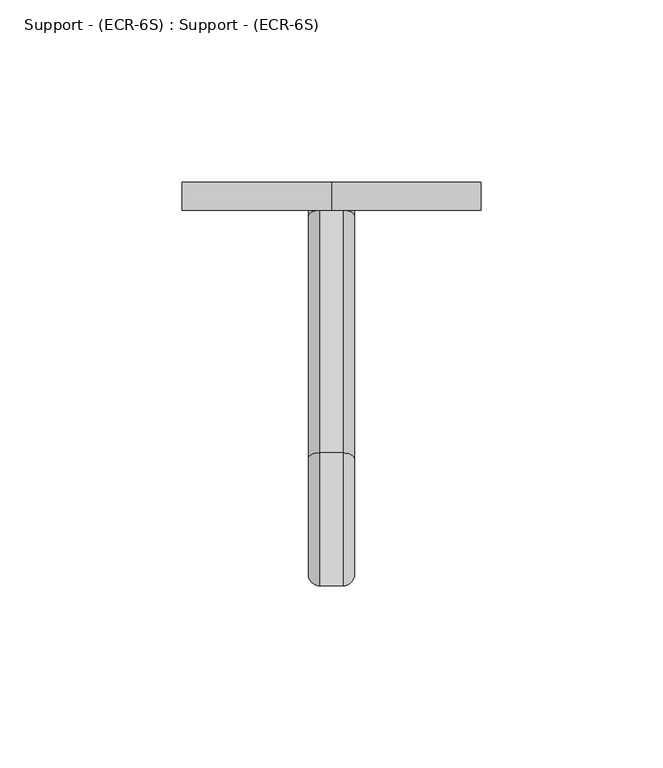
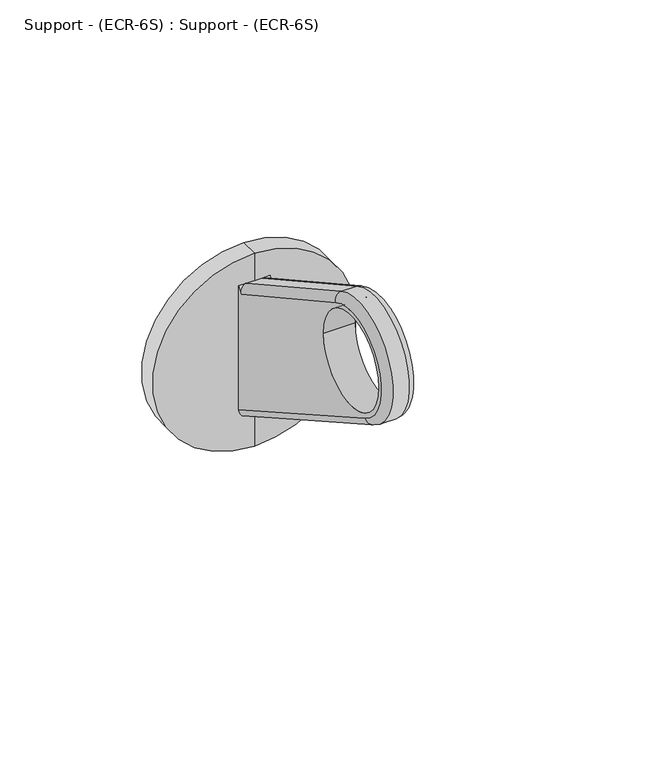
"""IFC4 building model written with IfcOpenShell, lengths in millimetres: proxy geometry, Support - (ECR-6S) : Support - (ECR-6S)."""

from ifc_helpers import new_model, si_unit, point, frame, origin, place, context, project, spatial, polyline, circle_curve, ellipse_curve, trimmed, source, transform, mapped, element, save
from ifc_brep_helpers import plane_surface, cylinder_surface, revolved_surface, advanced_brep


def support_ecr_6s_support_ecr_6s_dc510186(model_context):
    return source(origin(), model_context, "Body", "AdvancedBrep", [
        advanced_brep(
        [(6.35, 78.8452801, -49.9262868), (6.35, 78.8452801, 3.1538771), (6.35, 77.30566, 0.3771533), (6.35, 10.595249, 37.366316), (6.35, -9.941219, 0.2595868), (6.35, -19.3130199, 18.9992), (6.35, 19.2949801, 18.9992), (-6.35, 78.8452801, 3.1538771), (-6.35, 78.8452801, -49.9262868), (-6.35, -9.9406447, 0.2606028), (-6.35, 10.5954801, 37.3667328), (-6.35, 77.30566, 0.3771533), (-6.35, -19.3130199, 18.9992), (-6.35, 19.2949801, 18.9992), (3.175, -11.4280751, -2.5457445), (3.175, 12.1829801, 40.1163634), (-3.1750015, 12.1829801, 40.1163634), (-3.175, -11.4280751, -2.5457445), (3.175, 78.8452801, -53.573415), (-3.175, 78.8452801, -53.573415), (-3.175, 78.8452801, 3.1538771), (3.175, 78.8452801, 3.1538771)],
        [
            (0, 1),
            (1, 2),
            (2, 3),
            (3, 4, circle_curve(frame((6.35, -0.0090199, 18.9992), z_axis=(1.0, 0.0, 0.0), x_axis=(0.0, 0.5000000000000026, 0.8660254037844372)), 21.209)),
            (4, 0),
            (5, 6, circle_curve(frame((6.35, -0.0090199, 18.9992), z_axis=(-1.0, 0.0, 0.0), x_axis=(0.0, 1.0, 0.0)), 19.304)),
            (6, 5, circle_curve(frame((6.35, -0.0090199, 18.9992), z_axis=(-1.0, 0.0, 0.0), x_axis=(0.0, 1.0, 0.0)), 19.304)),
            (7, 8),
            (8, 9),
            (9, 10, circle_curve(frame((-6.35, -0.0090199, 18.9992), z_axis=(-1.0, 0.0, 0.0), x_axis=(0.0, -0.4683011491717225, -0.8835689184689806)), 21.209)),
            (10, 11),
            (11, 7),
            (12, 13, circle_curve(frame((-6.35, -0.0090199, 18.9992), z_axis=(1.0, 0.0, 0.0), x_axis=(0.0, 1.0, 0.0)), 19.304)),
            (13, 12, circle_curve(frame((-6.35, -0.0090199, 18.9992), z_axis=(1.0, 0.0, 0.0), x_axis=(0.0, 1.0, 0.0)), 19.304)),
            (14, 15, circle_curve(frame((3.175, -0.0090199, 18.9992), z_axis=(-1.0, 0.0, 0.0), x_axis=(0.0, 1.0, 0.0)), 24.384)),
            (15, 16),
            (16, 17, circle_curve(frame((-3.175, -0.0090199, 18.9992), z_axis=(1.0, 0.0, 0.0), x_axis=(0.0, 1.0, 0.0)), 24.384)),
            (17, 14),
            (18, 14),
            (17, 19),
            (19, 18),
            (0, 18, ellipse_curve(frame((3.175, 78.8452801, -49.9262868), z_axis=(0.0, 1.0, 0.0), x_axis=(0.0, 0.0, -1.0)), 3.6471282, 3.175)),
            (19, 8, ellipse_curve(frame((-3.175, 78.8452801, -49.9262868), z_axis=(0.0, 1.0, 0.0), x_axis=(0.0, 0.0, 1.0)), 3.6471282, 3.175)),
            (7, 20),
            (20, 21),
            (21, 1),
            (15, 21),
            (20, 16),
            (5, 12),
            (13, 6),
            (21, 2, circle_curve(frame((3.175, 77.30566, 0.3771533), z_axis=(0.0, 0.8745586753706891, -0.4849197081310118), x_axis=(0.0, -0.4849197081310118, -0.8745586753706891)), 3.175)),
            (15, 3, circle_curve(frame((3.175, 10.5954801, 37.3667328), z_axis=(0.0, 0.8660254037844372, -0.5000000000000026), x_axis=(0.0, -0.5000000000000026, -0.8660254037844372)), 3.175)),
            (14, 4, circle_curve(frame((3.175, -9.941219, 0.2595868), z_axis=(0.0, -0.8835689184689819, 0.46830114917171994), x_axis=(0.0, 0.46830114917171994, 0.8835689184689819)), 3.175)),
            (17, 9, circle_curve(frame((-3.175, -9.941219, 0.2595868), z_axis=(0.0, 0.8835689184689806, -0.46830114917172255), x_axis=(0.0, 0.46830114917172255, 0.8835689184689806)), 3.175)),
            (16, 10, circle_curve(frame((-3.175, 10.5954801, 37.3667328), z_axis=(0.0, -0.8660254037844229, 0.500000000000027), x_axis=(0.0, -0.500000000000027, -0.8660254037844229)), 3.175)),
            (11, 20, circle_curve(frame((-3.175, 77.30566, 0.3771533), z_axis=(0.0, 0.8745586753706891, -0.48491970813101176), x_axis=(0.0, -0.48491970813101176, -0.8745586753706891)), 3.175)),
        ],
        [
            plane_surface(frame((6.35, 24.3749801, 18.9992), z_axis=(1.0, 0.0, 0.0), x_axis=(0.0, 0.0, 1.0))),
            plane_surface(frame((-6.35, 24.3749801, 18.9992), z_axis=(-1.0, 0.0, 0.0), x_axis=(0.0, 0.0, -1.0))),
            cylinder_surface(frame((-6.35, -0.0090199, 18.9992), z_axis=(1.0, 0.0, 0.0), x_axis=(0.0, 1.0, 0.0)), 24.384),
            plane_surface(frame((6.35, -11.4280751, -2.5457445), z_axis=(0.0, -0.49208356813713583, -0.8705479664954855), x_axis=(-1.0, 0.0, 0.0))),
            plane_surface(frame((6.35, 78.8452801, -53.573415), z_axis=(0.0, 1.0, 0.0), x_axis=(-1.0, 0.0, 0.0))),
            plane_surface(frame((6.35, 78.8452801, 3.1538771), z_axis=(0.0, 0.48491970813101176, 0.8745586753706892), x_axis=(-1.0, 0.0, 0.0))),
            revolved_surface(polyline([(-6.35, 19.2949801, 18.9992), (6.35, 19.2949801, 18.9992)]), (0.0, -0.0090199, 18.9992), (-1.0, 0.0, 0.0)),
            plane_surface(frame((6.35, 78.8452801, 3.1538771), z_axis=(0.0, -0.8745586753706891, 0.4849197081310118), x_axis=(1.0, 0.0, 0.0))),
            cylinder_surface(frame((3.175, 77.30566, 0.3771533), z_axis=(0.0, -0.8745586753706891, 0.4849197081310118), x_axis=(0.0, -0.4849197081310118, -0.8745586753706891)), 3.175),
            revolved_surface(trimmed(ellipse_curve(frame((3.175, 10.5954801, 37.3667328), z_axis=(0.0, 0.8660254037844372, -0.5000000000000026), x_axis=(0.0, -0.5000000000000026, -0.8660254037844372)), 3.175, 3.175), [point((3.175, 12.1829801, 40.1163634))], [point((6.35, 10.5954801, 37.3667328))], True, "CARTESIAN"), (6.35, -0.0090199, 18.9992), (1.0, 0.0, 0.0)),
            cylinder_surface(frame((3.175, -9.8657098, 0.2182453), z_axis=(0.0, 0.8705479664954855, -0.4920835681371358), x_axis=(0.0, 0.4920835681371358, 0.8705479664954855)), 3.175),
            cylinder_surface(frame((-3.175, 80.4076454, -50.8094252), z_axis=(0.0, -0.8705479664954856, 0.49208356813713583), x_axis=(0.0, 0.49208356813713583, 0.8705479664954856)), 3.175),
            revolved_surface(trimmed(ellipse_curve(frame((-3.175, -9.941219, 0.2595868), z_axis=(0.0, 0.8835689184689806, -0.46830114917172255), x_axis=(0.0, 0.46830114917172255, 0.8835689184689806)), 3.175, 3.175), [point((-3.175, -11.4280751, -2.5457445))], [point((-6.35, -9.941219, 0.2595868))], True, "CARTESIAN"), (-6.35, -0.0090199, 18.9992), (-1.0, 0.0, 0.0)),
            plane_surface(frame((-6.35, 78.8452801, 3.1538771), z_axis=(0.0, -0.8745586753706892, 0.48491970813101176), x_axis=(-1.0, 0.0, 0.0))),
            cylinder_surface(frame((-3.175, 10.64336, 37.3396397), z_axis=(0.0, 0.8745586753706891, -0.48491970813101176), x_axis=(0.0, -0.48491970813101176, -0.8745586753706891)), 3.175),
        ],
        [
            (0, [[1, 2, 3, 4, 5], [6, 7]]),
            (1, [[8, 9, 10, 11, 12], [13, 14]]),
            (2, [[15, 16, 17, 18]]),
            (3, [[19, -18, 20, 21]]),
            (4, [[-1, 22, -21, 23, -8, 24, 25, 26]]),
            (5, [[27, -25, 28, -16]]),
            (6, [[-6, 29, -14, 30]]),
            (6, [[-7, -30, -13, -29]]),
            (7, [[31, -2, -26]]),
            (8, [[-31, -27, 32, -3]]),
            (9, [[-32, -15, 33, -4]]),
            (10, [[-33, -19, -22, -5]]),
            (11, [[34, -9, -23, -20]]),
            (12, [[-34, -17, 35, -10]]),
            (13, [[36, -24, -12]]),
            (14, [[-35, -28, -36, -11]]),
        ],
    ),
        advanced_brep(
        [(0.0, 78.8452801, -26.4652547), (0.0, 78.8452801, 14.815396), (0.0, 78.8452801, -67.7459053), (0.0, 86.5097301, -67.7459053), (0.0, 86.5097301, 14.815396), (0.0, 86.5097301, -26.4652547)],
        [
            (0, 1),
            (1, 2, circle_curve(frame((0.0, 78.8452801, -26.4652547), z_axis=(0.0, -1.0, 0.0), x_axis=(0.0, 0.0, 1.0)), 41.2806507)),
            (2, 0),
            (2, 1, circle_curve(frame((0.0, 78.8452801, -26.4652547), z_axis=(0.0, -1.0, 0.0), x_axis=(0.0, 0.0, 1.0)), 41.2806507)),
            (3, 4, circle_curve(frame((0.0, 86.5097301, -26.4652547), z_axis=(0.0, 1.0, 0.0), x_axis=(0.0, 0.0, 1.0)), 41.2806507)),
            (4, 5),
            (5, 3),
            (4, 3, circle_curve(frame((0.0, 86.5097301, -26.4652547), z_axis=(0.0, 1.0, 0.0), x_axis=(0.0, 0.0, 1.0)), 41.2806507)),
            (1, 4),
            (3, 2),
        ],
        [
            plane_surface(frame((0.0, 78.8452801, -26.4652547), z_axis=(0.0, -1.0, 0.0), x_axis=(0.0, 0.0, 1.0))),
            plane_surface(frame((0.0, 86.5097301, -26.4652547), z_axis=(0.0, 1.0, 0.0), x_axis=(0.0, 0.0, 1.0))),
            cylinder_surface(frame((0.0, 70.1140301, -26.4652547), z_axis=(0.0, -1.0, 0.0), x_axis=(0.0, 0.0, 1.0)), 41.2806507),
        ],
        [
            (0, [[1, 2, 3]]),
            (0, [[-3, 4, -1]]),
            (1, [[5, 6, 7]]),
            (1, [[8, -7, -6]]),
            (2, [[-2, 9, -5, 10]]),
            (2, [[-4, -10, -8, -9]]),
        ],
    ),
    ])


if __name__ == "__main__":
    model = new_model("IFC4")
    model_context = context("Model", 3, world=origin())
    ifc_project = project(units=[si_unit("LENGTHUNIT", "METRE", prefix="MILLI")], contexts=[model_context])
    site = spatial("IfcSite", under=ifc_project)
    building = spatial("IfcBuilding", under=site)
    placement = place(None, origin())
    support_ecr_6s_support_ecr_6s_shape = support_ecr_6s_support_ecr_6s_dc510186(model_context)
    element("IfcBuildingElementProxy", 1, Name="Support - (ECR-6S) : Support - (ECR-6S)", ObjectType="Support - (ECR-6S) : Support - (ECR-6S)", at=placement, inside=building, context=model_context, shape_type="MappedRepresentation", body=[
        mapped(support_ecr_6s_support_ecr_6s_shape, transform((0.0, 0.0, 0.0), x_axis=(1.0, 0.0, 0.0), y_axis=(0.0, 1.0, 0.0), z_axis=(0.0, 0.0, 1.0))),
    ])
    save(model, "model.ifc")
